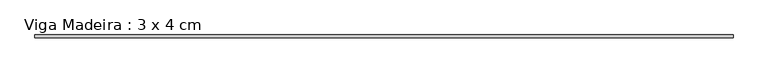
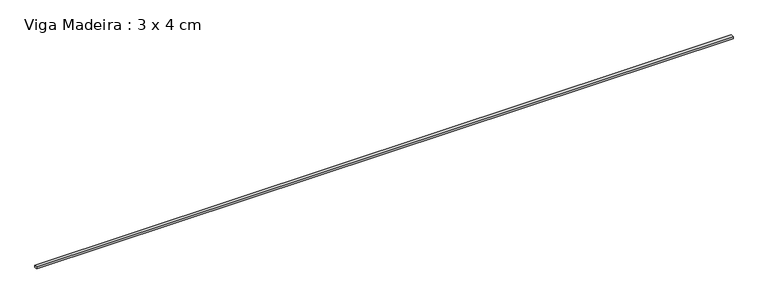
"""IFC4 building model written with IfcOpenShell, lengths in millimetres: beam geometry, Viga Madeira : 3 x 4 cm."""

from ifc_helpers import new_model, si_unit, frame, origin, place, context, project, spatial, polyline, outline, extrude, source, transform, mapped, element, save


def viga_madeira_3_x_4_cm_3c50e698(model_context):
    return source(origin(), model_context, "Body", "SweptSolid", [
        extrude(outline(polyline([(4727.0860959, 20.0), (4727.0860959, -20.0), (-4727.0860959, -20.0), (-4727.0860959, 20.0), (4727.0860959, 20.0)])), frame((0.0, 0.0, -15.0), z_axis=(0.0, 0.0, 1.0), x_axis=(1.0, 0.0, 0.0)), (0.0, 0.0, 1.0), 30.0),
    ])


if __name__ == "__main__":
    model = new_model("IFC4")
    model_context = context("Model", 3, world=origin())
    ifc_project = project(units=[si_unit("LENGTHUNIT", "METRE", prefix="MILLI")], contexts=[model_context])
    site = spatial("IfcSite", under=ifc_project)
    building = spatial("IfcBuilding", under=site)
    placement = place(None, origin())
    viga_madeira_3_x_4_cm_shape = viga_madeira_3_x_4_cm_3c50e698(model_context)
    element("IfcBeam", 1, ObjectType="Viga Madeira : 3 x 4 cm", at=placement, inside=building, context=model_context, shape_type="MappedRepresentation", body=[
        mapped(viga_madeira_3_x_4_cm_shape, transform((0.0, 0.0, 0.0), x_axis=(1.0, 0.0, 0.0), y_axis=(0.0, 1.0, 0.0), z_axis=(0.0, 0.0, 1.0))),
    ])
    save(model, "model.ifc")
